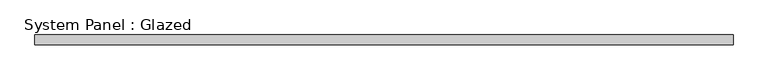
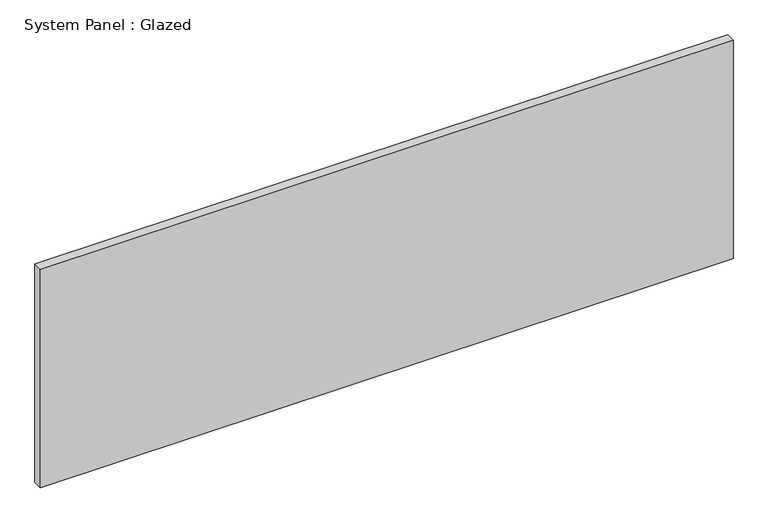
"""IFC4 building model written with IfcOpenShell, lengths in millimetres: plate geometry, System Panel : Glazed."""

from ifc_helpers import new_model, si_unit, origin, origin_with_axes, place, context, project, spatial, polyline, outline, extrude, source, transform, mapped, element, save


def system_panel_glazed_3802cf8d(model_context):
    return source(origin(), model_context, "Body", "SweptSolid", [
        extrude(outline(polyline([(914.4000002, 19.05), (-914.4000002, 19.05), (-914.4000002, 44.45), (914.4000002, 44.45), (914.4000002, 19.05)])), origin_with_axes(), (0.0, 0.0, 1.0), 609.6),
    ])


if __name__ == "__main__":
    model = new_model("IFC4")
    model_context = context("Model", 3, world=origin())
    ifc_project = project(units=[si_unit("LENGTHUNIT", "METRE", prefix="MILLI")], contexts=[model_context])
    site = spatial("IfcSite", under=ifc_project)
    building = spatial("IfcBuilding", under=site)
    placement = place(None, origin())
    system_panel_glazed_shape = system_panel_glazed_3802cf8d(model_context)
    element("IfcPlate", 1, ObjectType="System Panel : Glazed", at=placement, inside=building, context=model_context, shape_type="MappedRepresentation", body=[
        mapped(system_panel_glazed_shape, transform((0.0, 0.0, 0.0), x_axis=(1.0, 0.0, 0.0), y_axis=(0.0, 1.0, 0.0), z_axis=(0.0, 0.0, 1.0))),
    ])
    save(model, "model.ifc")
